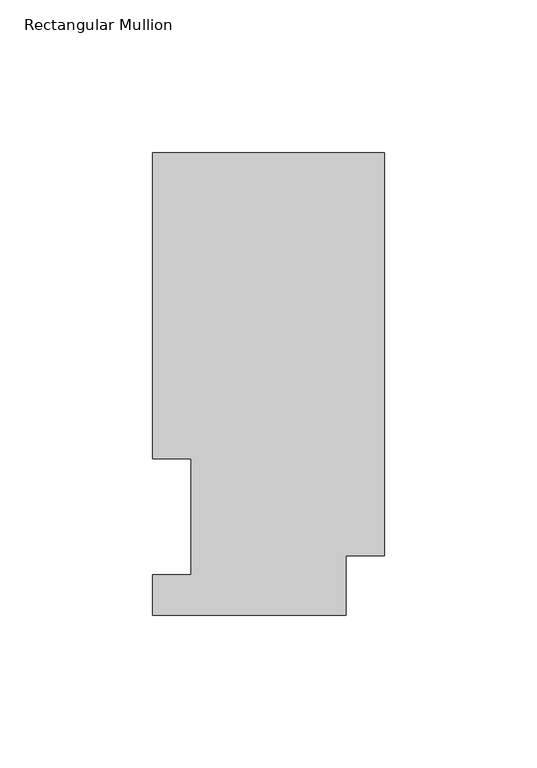
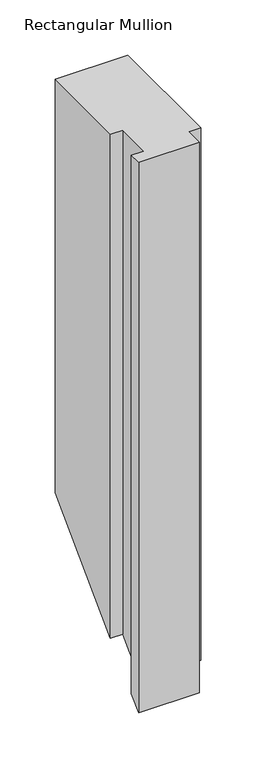
"""IFC4 building model written with IfcOpenShell, lengths in millimetres: member geometry, Rectangular Mullion."""

from ifc_helpers import new_model, si_unit, origin, place, context, project, spatial, faceted_brep, source, transform, mapped, element, save


def rectangular_mullion_b83bad69(model_context):
    return source(origin(), model_context, "Body", "Brep", [
        faceted_brep([(0.0, 151.7027918, 0.0), (-76.2, 151.7027918, 0.0), (-76.2, 51.2960938, 0.0), (-63.5, 51.2960938, 0.0), (-63.5, 13.1965918, 0.0), (-76.2, 13.1965918, 0.0), (-76.2, 0.0139918, 0.0), (-12.7, 0.0139918, 0.0), (-12.7, 19.5460937, 0.0), (0.0, 19.5460937, 0.0), (0.0, 151.7027918, -457.8972082), (-76.2, 151.7027918, -457.8972082), (-76.2, 51.2960938, -558.3039063), (-63.5, 51.2960938, -558.3039063), (-63.5, 13.1965918, -596.4034082), (-76.2, 13.1965918, -596.4034082), (-76.2, 0.0139918, -609.5860082), (-12.7, 0.0139918, -609.5860082), (-12.7, 19.5460937, -590.0539063), (0.0, 19.5460937, -590.0539063)], [[[0, 1, 2, 3, 4, 5, 6, 7, 8, 9]], [[1, 0, 10, 11]], [[2, 1, 11, 12]], [[3, 2, 12, 13]], [[4, 3, 13, 14]], [[5, 4, 14, 15]], [[6, 5, 15, 16]], [[7, 6, 16, 17]], [[8, 7, 17, 18]], [[9, 8, 18, 19]], [[0, 9, 19, 10]], [[10, 19, 18, 17, 16, 15, 14, 13, 12, 11]]]),
    ])


if __name__ == "__main__":
    model = new_model("IFC4")
    model_context = context("Model", 3, world=origin())
    ifc_project = project(units=[si_unit("LENGTHUNIT", "METRE", prefix="MILLI")], contexts=[model_context])
    site = spatial("IfcSite", under=ifc_project)
    building = spatial("IfcBuilding", under=site)
    placement = place(None, origin())
    rectangular_mullion_shape = rectangular_mullion_b83bad69(model_context)
    element("IfcMember", 1, ObjectType="Rectangular Mullion", at=placement, inside=building, context=model_context, shape_type="MappedRepresentation", body=[
        mapped(rectangular_mullion_shape, transform((0.0, 0.0, 0.0), x_axis=(1.0, 0.0, 0.0), y_axis=(0.0, 1.0, 0.0), z_axis=(0.0, 0.0, 1.0))),
    ])
    save(model, "model.ifc")
